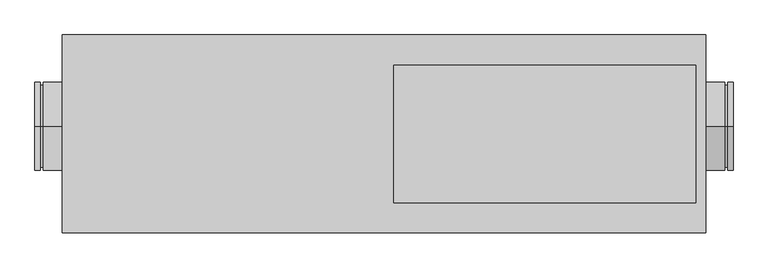
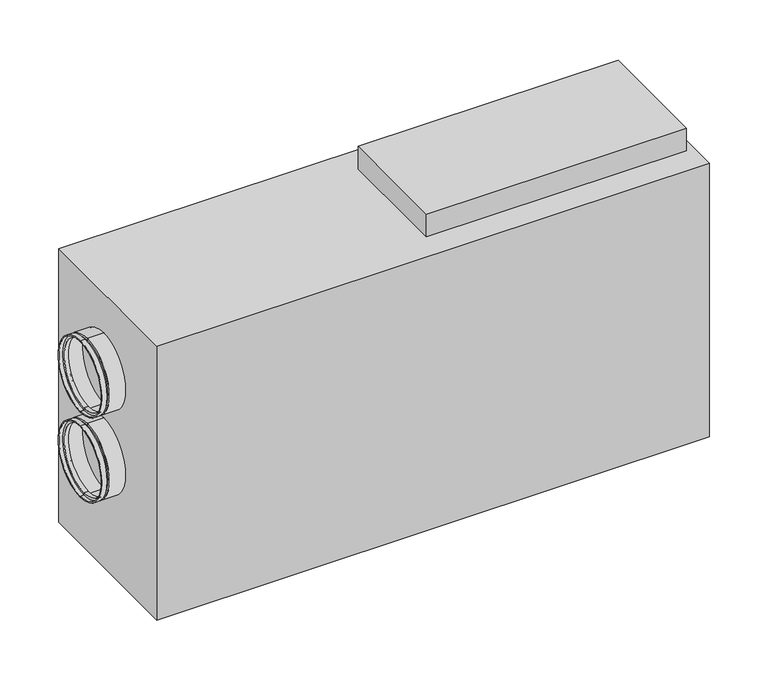
"""IFC4 building model written with IfcOpenShell, lengths in millimetres: proxy geometry."""

from ifc_helpers import new_model, si_unit, frame, origin, place, context, project, spatial, polyline, circle_curve, outline, extrude, source, transform, mapped, element, save
from ifc_brep_helpers import plane_surface, cylinder_surface, revolved_surface, advanced_brep


def mechanical_equipment_982aaba3(model_context):
    return source(origin(), model_context, "Body", "SolidModel", [
        extrude(outline(polyline([(567.5, 125.0), (567.5, -125.0), (17.5, -125.0), (17.5, 125.0), (567.5, 125.0)])), frame((0.0, 0.0, 644.0), z_axis=(0.0, 0.0, 1.0), x_axis=(1.0, 0.0, 0.0)), (0.0, 0.0, 1.0), 51.0),
        advanced_brep(
        [(625.0, 14.0, 206.0), (625.0, 14.0, 366.0), (635.0, 14.0, 366.0), (635.0, 14.0, 206.0), (625.0, 14.0, 211.0), (625.0, 14.0, 361.0), (620.0, 14.0, 211.0), (620.0, 14.0, 361.0), (620.0, 14.0, 206.0), (620.0, 14.0, 366.0), (585.0, 14.0, 206.0), (585.0, 14.0, 366.0), (585.0, 14.0, 208.0), (585.0, 14.0, 364.0), (618.0, 14.0, 208.0), (618.0, 14.0, 364.0), (618.0, 14.0, 213.0), (618.0, 14.0, 359.0), (627.0, 14.0, 213.0), (627.0, 14.0, 359.0), (627.0, 14.0, 208.0), (627.0, 14.0, 364.0), (635.0, 14.0, 208.0), (635.0, 14.0, 364.0)],
        [
            (0, 1, circle_curve(frame((625.0, 14.0, 286.0), z_axis=(1.0, 0.0, 0.0), x_axis=(0.0, 0.0, 1.0)), 80.0)),
            (1, 2),
            (2, 3, circle_curve(frame((635.0, 14.0, 286.0), z_axis=(-1.0, 0.0, 0.0), x_axis=(0.0, 0.0, 1.0)), 80.0)),
            (3, 0),
            (1, 0, circle_curve(frame((625.0, 14.0, 286.0), z_axis=(1.0, 0.0, 0.0), x_axis=(0.0, 0.0, 1.0)), 80.0)),
            (3, 2, circle_curve(frame((635.0, 14.0, 286.0), z_axis=(-1.0, 0.0, 0.0), x_axis=(0.0, 0.0, 1.0)), 80.0)),
            (4, 5, circle_curve(frame((625.0, 14.0, 286.0), z_axis=(1.0, 0.0, 0.0), x_axis=(0.0, 0.0, 1.0)), 75.0)),
            (5, 1),
            (0, 4),
            (5, 4, circle_curve(frame((625.0, 14.0, 286.0), z_axis=(1.0, 0.0, 0.0), x_axis=(0.0, 0.0, 1.0)), 75.0)),
            (6, 7, circle_curve(frame((620.0, 14.0, 286.0), z_axis=(1.0, 0.0, 0.0), x_axis=(0.0, 0.0, 1.0)), 75.0)),
            (7, 5),
            (4, 6),
            (7, 6, circle_curve(frame((620.0, 14.0, 286.0), z_axis=(1.0, 0.0, 0.0), x_axis=(0.0, 0.0, 1.0)), 75.0)),
            (8, 9, circle_curve(frame((620.0, 14.0, 286.0), z_axis=(1.0, 0.0, 0.0), x_axis=(0.0, 0.0, 1.0)), 80.0)),
            (9, 7),
            (6, 8),
            (9, 8, circle_curve(frame((620.0, 14.0, 286.0), z_axis=(1.0, 0.0, 0.0), x_axis=(0.0, 0.0, 1.0)), 80.0)),
            (10, 11, circle_curve(frame((585.0, 14.0, 286.0), z_axis=(1.0, 0.0, 0.0), x_axis=(0.0, 0.0, 1.0)), 80.0)),
            (11, 9),
            (8, 10),
            (11, 10, circle_curve(frame((585.0, 14.0, 286.0), z_axis=(1.0, 0.0, 0.0), x_axis=(0.0, 0.0, 1.0)), 80.0)),
            (12, 13, circle_curve(frame((585.0, 14.0, 286.0), z_axis=(1.0, 0.0, 0.0), x_axis=(0.0, 0.0, 1.0)), 78.0)),
            (13, 11),
            (10, 12),
            (13, 12, circle_curve(frame((585.0, 14.0, 286.0), z_axis=(1.0, 0.0, 0.0), x_axis=(0.0, 0.0, 1.0)), 78.0)),
            (14, 15, circle_curve(frame((618.0, 14.0, 286.0), z_axis=(1.0, 0.0, 0.0), x_axis=(0.0, 0.0, 1.0)), 78.0)),
            (15, 13),
            (12, 14),
            (15, 14, circle_curve(frame((618.0, 14.0, 286.0), z_axis=(1.0, 0.0, 0.0), x_axis=(0.0, 0.0, 1.0)), 78.0)),
            (16, 17, circle_curve(frame((618.0, 14.0, 286.0), z_axis=(1.0, 0.0, 0.0), x_axis=(0.0, 0.0, 1.0)), 73.0)),
            (17, 15),
            (14, 16),
            (17, 16, circle_curve(frame((618.0, 14.0, 286.0), z_axis=(1.0, 0.0, 0.0), x_axis=(0.0, 0.0, 1.0)), 73.0)),
            (18, 19, circle_curve(frame((627.0, 14.0, 286.0), z_axis=(1.0, 0.0, 0.0), x_axis=(0.0, 0.0, 1.0)), 73.0)),
            (19, 17),
            (16, 18),
            (19, 18, circle_curve(frame((627.0, 14.0, 286.0), z_axis=(1.0, 0.0, 0.0), x_axis=(0.0, 0.0, 1.0)), 73.0)),
            (20, 21, circle_curve(frame((627.0, 14.0, 286.0), z_axis=(1.0, 0.0, 0.0), x_axis=(0.0, 0.0, 1.0)), 78.0)),
            (21, 19),
            (18, 20),
            (21, 20, circle_curve(frame((627.0, 14.0, 286.0), z_axis=(1.0, 0.0, 0.0), x_axis=(0.0, 0.0, 1.0)), 78.0)),
            (22, 23, circle_curve(frame((635.0, 14.0, 286.0), z_axis=(1.0, 0.0, 0.0), x_axis=(0.0, 0.0, 1.0)), 78.0)),
            (23, 21),
            (20, 22),
            (23, 22, circle_curve(frame((635.0, 14.0, 286.0), z_axis=(1.0, 0.0, 0.0), x_axis=(0.0, 0.0, 1.0)), 78.0)),
            (2, 23),
            (22, 3),
        ],
        [
            cylinder_surface(frame((2170.0440172, 14.0, 286.0), z_axis=(-1.0, 0.0, 0.0), x_axis=(0.0, 0.0, 1.0)), 80.0),
            plane_surface(frame((625.0, 14.0, 286.0), z_axis=(-1.0, 0.0, 0.0), x_axis=(0.0, 0.0, 1.0))),
            cylinder_surface(frame((2170.0440172, 14.0, 286.0), z_axis=(-1.0, 0.0, 0.0), x_axis=(0.0, 0.0, 1.0)), 75.0),
            plane_surface(frame((620.0, 14.0, 286.0), z_axis=(1.0, 0.0, 0.0), x_axis=(0.0, 0.0, 1.0))),
            plane_surface(frame((585.0, 14.0, 286.0), z_axis=(-1.0, 0.0, 0.0), x_axis=(0.0, 0.0, 1.0))),
            revolved_surface(polyline([(585.0, 14.0, 364.0), (618.0, 14.0, 364.0)]), (2170.0440172, 14.0, 286.0), (-1.0, 0.0, 0.0)),
            plane_surface(frame((618.0, 14.0, 286.0), z_axis=(-1.0, 0.0, 0.0), x_axis=(0.0, 0.0, 1.0))),
            revolved_surface(polyline([(618.0, 14.0, 359.0), (627.0, 14.0, 359.0)]), (2170.0440172, 14.0, 286.0), (-1.0, 0.0, 0.0)),
            plane_surface(frame((627.0, 14.0, 286.0), z_axis=(1.0, 0.0, 0.0), x_axis=(0.0, 0.0, 1.0))),
            revolved_surface(polyline([(627.0, 14.0, 364.0), (635.0, 14.0, 364.0)]), (2170.0440172, 14.0, 286.0), (-1.0, 0.0, 0.0)),
            plane_surface(frame((635.0, 14.0, 286.0), z_axis=(1.0, 0.0, 0.0), x_axis=(0.0, 0.0, 1.0))),
        ],
        [
            (0, [[1, 2, 3, 4]]),
            (0, [[5, -4, 6, -2]]),
            (1, [[7, 8, -1, 9]]),
            (1, [[10, -9, -5, -8]]),
            (2, [[11, 12, -7, 13]]),
            (2, [[14, -13, -10, -12]]),
            (3, [[15, 16, -11, 17]]),
            (3, [[18, -17, -14, -16]]),
            (0, [[19, 20, -15, 21]]),
            (0, [[22, -21, -18, -20]]),
            (4, [[23, 24, -19, 25]]),
            (4, [[26, -25, -22, -24]]),
            (5, [[27, 28, -23, 29]]),
            (5, [[30, -29, -26, -28]]),
            (6, [[31, 32, -27, 33]]),
            (6, [[34, -33, -30, -32]]),
            (7, [[35, 36, -31, 37]]),
            (7, [[38, -37, -34, -36]]),
            (8, [[39, 40, -35, 41]]),
            (8, [[42, -41, -38, -40]]),
            (9, [[43, 44, -39, 45]]),
            (9, [[46, -45, -42, -44]]),
            (10, [[-3, 47, -43, 48]]),
            (10, [[-6, -48, -46, -47]]),
        ],
    ),
        advanced_brep(
        [(625.0, 14.0, 396.0), (625.0, 14.0, 556.0), (635.0, 14.0, 556.0), (635.0, 14.0, 396.0), (625.0, 14.0, 401.0), (625.0, 14.0, 551.0), (620.0, 14.0, 401.0), (620.0, 14.0, 551.0), (620.0, 14.0, 396.0), (620.0, 14.0, 556.0), (585.0, 14.0, 396.0), (585.0, 14.0, 556.0), (585.0, 14.0, 398.0), (585.0, 14.0, 554.0), (618.0, 14.0, 398.0), (618.0, 14.0, 554.0), (618.0, 14.0, 403.0), (618.0, 14.0, 549.0), (627.0, 14.0, 403.0), (627.0, 14.0, 549.0), (627.0, 14.0, 398.0), (627.0, 14.0, 554.0), (635.0, 14.0, 398.0), (635.0, 14.0, 554.0)],
        [
            (0, 1, circle_curve(frame((625.0, 14.0, 476.0), z_axis=(1.0, 0.0, 0.0), x_axis=(0.0, 0.0, 1.0)), 80.0)),
            (1, 2),
            (2, 3, circle_curve(frame((635.0, 14.0, 476.0), z_axis=(-1.0, 0.0, 0.0), x_axis=(0.0, 0.0, 1.0)), 80.0)),
            (3, 0),
            (1, 0, circle_curve(frame((625.0, 14.0, 476.0), z_axis=(1.0, 0.0, 0.0), x_axis=(0.0, 0.0, 1.0)), 80.0)),
            (3, 2, circle_curve(frame((635.0, 14.0, 476.0), z_axis=(-1.0, 0.0, 0.0), x_axis=(0.0, 0.0, 1.0)), 80.0)),
            (4, 5, circle_curve(frame((625.0, 14.0, 476.0), z_axis=(1.0, 0.0, 0.0), x_axis=(0.0, 0.0, 1.0)), 75.0)),
            (5, 1),
            (0, 4),
            (5, 4, circle_curve(frame((625.0, 14.0, 476.0), z_axis=(1.0, 0.0, 0.0), x_axis=(0.0, 0.0, 1.0)), 75.0)),
            (6, 7, circle_curve(frame((620.0, 14.0, 476.0), z_axis=(1.0, 0.0, 0.0), x_axis=(0.0, 0.0, 1.0)), 75.0)),
            (7, 5),
            (4, 6),
            (7, 6, circle_curve(frame((620.0, 14.0, 476.0), z_axis=(1.0, 0.0, 0.0), x_axis=(0.0, 0.0, 1.0)), 75.0)),
            (8, 9, circle_curve(frame((620.0, 14.0, 476.0), z_axis=(1.0, 0.0, 0.0), x_axis=(0.0, 0.0, 1.0)), 80.0)),
            (9, 7),
            (6, 8),
            (9, 8, circle_curve(frame((620.0, 14.0, 476.0), z_axis=(1.0, 0.0, 0.0), x_axis=(0.0, 0.0, 1.0)), 80.0)),
            (10, 11, circle_curve(frame((585.0, 14.0, 476.0), z_axis=(1.0, 0.0, 0.0), x_axis=(0.0, 0.0, 1.0)), 80.0)),
            (11, 9),
            (8, 10),
            (11, 10, circle_curve(frame((585.0, 14.0, 476.0), z_axis=(1.0, 0.0, 0.0), x_axis=(0.0, 0.0, 1.0)), 80.0)),
            (12, 13, circle_curve(frame((585.0, 14.0, 476.0), z_axis=(1.0, 0.0, 0.0), x_axis=(0.0, 0.0, 1.0)), 78.0)),
            (13, 11),
            (10, 12),
            (13, 12, circle_curve(frame((585.0, 14.0, 476.0), z_axis=(1.0, 0.0, 0.0), x_axis=(0.0, 0.0, 1.0)), 78.0)),
            (14, 15, circle_curve(frame((618.0, 14.0, 476.0), z_axis=(1.0, 0.0, 0.0), x_axis=(0.0, 0.0, 1.0)), 78.0)),
            (15, 13),
            (12, 14),
            (15, 14, circle_curve(frame((618.0, 14.0, 476.0), z_axis=(1.0, 0.0, 0.0), x_axis=(0.0, 0.0, 1.0)), 78.0)),
            (16, 17, circle_curve(frame((618.0, 14.0, 476.0), z_axis=(1.0, 0.0, 0.0), x_axis=(0.0, 0.0, 1.0)), 73.0)),
            (17, 15),
            (14, 16),
            (17, 16, circle_curve(frame((618.0, 14.0, 476.0), z_axis=(1.0, 0.0, 0.0), x_axis=(0.0, 0.0, 1.0)), 73.0)),
            (18, 19, circle_curve(frame((627.0, 14.0, 476.0), z_axis=(1.0, 0.0, 0.0), x_axis=(0.0, 0.0, 1.0)), 73.0)),
            (19, 17),
            (16, 18),
            (19, 18, circle_curve(frame((627.0, 14.0, 476.0), z_axis=(1.0, 0.0, 0.0), x_axis=(0.0, 0.0, 1.0)), 73.0)),
            (20, 21, circle_curve(frame((627.0, 14.0, 476.0), z_axis=(1.0, 0.0, 0.0), x_axis=(0.0, 0.0, 1.0)), 78.0)),
            (21, 19),
            (18, 20),
            (21, 20, circle_curve(frame((627.0, 14.0, 476.0), z_axis=(1.0, 0.0, 0.0), x_axis=(0.0, 0.0, 1.0)), 78.0)),
            (22, 23, circle_curve(frame((635.0, 14.0, 476.0), z_axis=(1.0, 0.0, 0.0), x_axis=(0.0, 0.0, 1.0)), 78.0)),
            (23, 21),
            (20, 22),
            (23, 22, circle_curve(frame((635.0, 14.0, 476.0), z_axis=(1.0, 0.0, 0.0), x_axis=(0.0, 0.0, 1.0)), 78.0)),
            (2, 23),
            (22, 3),
        ],
        [
            cylinder_surface(frame((2170.0440172, 14.0, 476.0), z_axis=(-1.0, 0.0, 0.0), x_axis=(0.0, 0.0, 1.0)), 80.0),
            plane_surface(frame((625.0, 14.0, 476.0), z_axis=(-1.0, 0.0, 0.0), x_axis=(0.0, 0.0, 1.0))),
            cylinder_surface(frame((2170.0440172, 14.0, 476.0), z_axis=(-1.0, 0.0, 0.0), x_axis=(0.0, 0.0, 1.0)), 75.0),
            plane_surface(frame((620.0, 14.0, 476.0), z_axis=(1.0, 0.0, 0.0), x_axis=(0.0, 0.0, 1.0))),
            plane_surface(frame((585.0, 14.0, 476.0), z_axis=(-1.0, 0.0, 0.0), x_axis=(0.0, 0.0, 1.0))),
            revolved_surface(polyline([(585.0, 14.0, 554.0), (618.0, 14.0, 554.0)]), (2170.0440172, 14.0, 476.0), (-1.0, 0.0, 0.0)),
            plane_surface(frame((618.0, 14.0, 476.0), z_axis=(-1.0, 0.0, 0.0), x_axis=(0.0, 0.0, 1.0))),
            revolved_surface(polyline([(618.0, 14.0, 549.0), (627.0, 14.0, 549.0)]), (2170.0440172, 14.0, 476.0), (-1.0, 0.0, 0.0)),
            plane_surface(frame((627.0, 14.0, 476.0), z_axis=(1.0, 0.0, 0.0), x_axis=(0.0, 0.0, 1.0))),
            revolved_surface(polyline([(627.0, 14.0, 554.0), (635.0, 14.0, 554.0)]), (2170.0440172, 14.0, 476.0), (-1.0, 0.0, 0.0)),
            plane_surface(frame((635.0, 14.0, 476.0), z_axis=(1.0, 0.0, 0.0), x_axis=(0.0, 0.0, 1.0))),
        ],
        [
            (0, [[1, 2, 3, 4]]),
            (0, [[5, -4, 6, -2]]),
            (1, [[7, 8, -1, 9]]),
            (1, [[10, -9, -5, -8]]),
            (2, [[11, 12, -7, 13]]),
            (2, [[14, -13, -10, -12]]),
            (3, [[15, 16, -11, 17]]),
            (3, [[18, -17, -14, -16]]),
            (0, [[19, 20, -15, 21]]),
            (0, [[22, -21, -18, -20]]),
            (4, [[23, 24, -19, 25]]),
            (4, [[26, -25, -22, -24]]),
            (5, [[27, 28, -23, 29]]),
            (5, [[30, -29, -26, -28]]),
            (6, [[31, 32, -27, 33]]),
            (6, [[34, -33, -30, -32]]),
            (7, [[35, 36, -31, 37]]),
            (7, [[38, -37, -34, -36]]),
            (8, [[39, 40, -35, 41]]),
            (8, [[42, -41, -38, -40]]),
            (9, [[43, 44, -39, 45]]),
            (9, [[46, -45, -42, -44]]),
            (10, [[-3, 47, -43, 48]]),
            (10, [[-6, -48, -46, -47]]),
        ],
    ),
        advanced_brep(
        [(-625.0, 14.0, 556.0), (-625.0, 14.0, 396.0), (-635.0, 14.0, 396.0), (-635.0, 14.0, 556.0), (-625.0, 14.0, 551.0), (-625.0, 14.0, 401.0), (-620.0, 14.0, 551.0), (-620.0, 14.0, 401.0), (-620.0, 14.0, 556.0), (-620.0, 14.0, 396.0), (-585.0, 14.0, 556.0), (-585.0, 14.0, 396.0), (-585.0, 14.0, 554.0), (-585.0, 14.0, 398.0), (-618.0, 14.0, 554.0), (-618.0, 14.0, 398.0), (-618.0, 14.0, 549.0), (-618.0, 14.0, 403.0), (-627.0, 14.0, 549.0), (-627.0, 14.0, 403.0), (-627.0, 14.0, 554.0), (-627.0, 14.0, 398.0), (-635.0, 14.0, 554.0), (-635.0, 14.0, 398.0)],
        [
            (0, 1, circle_curve(frame((-625.0, 14.0, 476.0), z_axis=(-1.0, 0.0, 0.0), x_axis=(0.0, 0.0, -1.0)), 80.0)),
            (1, 2),
            (2, 3, circle_curve(frame((-635.0, 14.0, 476.0), z_axis=(1.0, 0.0, 0.0), x_axis=(0.0, 0.0, -1.0)), 80.0)),
            (3, 0),
            (1, 0, circle_curve(frame((-625.0, 14.0, 476.0), z_axis=(-1.0, 0.0, 0.0), x_axis=(0.0, 0.0, -1.0)), 80.0)),
            (3, 2, circle_curve(frame((-635.0, 14.0, 476.0), z_axis=(1.0, 0.0, 0.0), x_axis=(0.0, 0.0, -1.0)), 80.0)),
            (4, 5, circle_curve(frame((-625.0, 14.0, 476.0), z_axis=(-1.0, 0.0, 0.0), x_axis=(0.0, 0.0, -1.0)), 75.0)),
            (5, 1),
            (0, 4),
            (5, 4, circle_curve(frame((-625.0, 14.0, 476.0), z_axis=(-1.0, 0.0, 0.0), x_axis=(0.0, 0.0, -1.0)), 75.0)),
            (6, 7, circle_curve(frame((-620.0, 14.0, 476.0), z_axis=(-1.0, 0.0, 0.0), x_axis=(0.0, 0.0, -1.0)), 75.0)),
            (7, 5),
            (4, 6),
            (7, 6, circle_curve(frame((-620.0, 14.0, 476.0), z_axis=(-1.0, 0.0, 0.0), x_axis=(0.0, 0.0, -1.0)), 75.0)),
            (8, 9, circle_curve(frame((-620.0, 14.0, 476.0), z_axis=(-1.0, 0.0, 0.0), x_axis=(0.0, 0.0, -1.0)), 80.0)),
            (9, 7),
            (6, 8),
            (9, 8, circle_curve(frame((-620.0, 14.0, 476.0), z_axis=(-1.0, 0.0, 0.0), x_axis=(0.0, 0.0, -1.0)), 80.0)),
            (10, 11, circle_curve(frame((-585.0, 14.0, 476.0), z_axis=(-1.0, 0.0, 0.0), x_axis=(0.0, 0.0, -1.0)), 80.0)),
            (11, 9),
            (8, 10),
            (11, 10, circle_curve(frame((-585.0, 14.0, 476.0), z_axis=(-1.0, 0.0, 0.0), x_axis=(0.0, 0.0, -1.0)), 80.0)),
            (12, 13, circle_curve(frame((-585.0, 14.0, 476.0), z_axis=(-1.0, 0.0, 0.0), x_axis=(0.0, 0.0, -1.0)), 78.0)),
            (13, 11),
            (10, 12),
            (13, 12, circle_curve(frame((-585.0, 14.0, 476.0), z_axis=(-1.0, 0.0, 0.0), x_axis=(0.0, 0.0, -1.0)), 78.0)),
            (14, 15, circle_curve(frame((-618.0, 14.0, 476.0), z_axis=(-1.0, 0.0, 0.0), x_axis=(0.0, 0.0, -1.0)), 78.0)),
            (15, 13),
            (12, 14),
            (15, 14, circle_curve(frame((-618.0, 14.0, 476.0), z_axis=(-1.0, 0.0, 0.0), x_axis=(0.0, 0.0, -1.0)), 78.0)),
            (16, 17, circle_curve(frame((-618.0, 14.0, 476.0), z_axis=(-1.0, 0.0, 0.0), x_axis=(0.0, 0.0, -1.0)), 73.0)),
            (17, 15),
            (14, 16),
            (17, 16, circle_curve(frame((-618.0, 14.0, 476.0), z_axis=(-1.0, 0.0, 0.0), x_axis=(0.0, 0.0, -1.0)), 73.0)),
            (18, 19, circle_curve(frame((-627.0, 14.0, 476.0), z_axis=(-1.0, 0.0, 0.0), x_axis=(0.0, 0.0, -1.0)), 73.0)),
            (19, 17),
            (16, 18),
            (19, 18, circle_curve(frame((-627.0, 14.0, 476.0), z_axis=(-1.0, 0.0, 0.0), x_axis=(0.0, 0.0, -1.0)), 73.0)),
            (20, 21, circle_curve(frame((-627.0, 14.0, 476.0), z_axis=(-1.0, 0.0, 0.0), x_axis=(0.0, 0.0, -1.0)), 78.0)),
            (21, 19),
            (18, 20),
            (21, 20, circle_curve(frame((-627.0, 14.0, 476.0), z_axis=(-1.0, 0.0, 0.0), x_axis=(0.0, 0.0, -1.0)), 78.0)),
            (22, 23, circle_curve(frame((-635.0, 14.0, 476.0), z_axis=(-1.0, 0.0, 0.0), x_axis=(0.0, 0.0, -1.0)), 78.0)),
            (23, 21),
            (20, 22),
            (23, 22, circle_curve(frame((-635.0, 14.0, 476.0), z_axis=(-1.0, 0.0, 0.0), x_axis=(0.0, 0.0, -1.0)), 78.0)),
            (2, 23),
            (22, 3),
        ],
        [
            cylinder_surface(frame((-2170.0440172, 14.0, 476.0), z_axis=(1.0, 0.0, 0.0), x_axis=(0.0, 0.0, -1.0)), 80.0),
            plane_surface(frame((-625.0, 14.0, 476.0), z_axis=(1.0, 0.0, 0.0), x_axis=(0.0, 0.0, -1.0))),
            cylinder_surface(frame((-2170.0440172, 14.0, 476.0), z_axis=(1.0, 0.0, 0.0), x_axis=(0.0, 0.0, -1.0)), 75.0),
            plane_surface(frame((-620.0, 14.0, 476.0), z_axis=(-1.0, 0.0, 0.0), x_axis=(0.0, 0.0, -1.0))),
            plane_surface(frame((-585.0, 14.0, 476.0), z_axis=(1.0, 0.0, 0.0), x_axis=(0.0, 0.0, -1.0))),
            revolved_surface(polyline([(-585.0, 14.0, 398.0), (-618.0, 14.0, 398.0)]), (-2170.0440172, 14.0, 476.0), (1.0, 0.0, 0.0)),
            plane_surface(frame((-618.0, 14.0, 476.0), z_axis=(1.0, 0.0, 0.0), x_axis=(0.0, 0.0, -1.0))),
            revolved_surface(polyline([(-618.0, 14.0, 403.0), (-627.0, 14.0, 403.0)]), (-2170.0440172, 14.0, 476.0), (1.0, 0.0, 0.0)),
            plane_surface(frame((-627.0, 14.0, 476.0), z_axis=(-1.0, 0.0, 0.0), x_axis=(0.0, 0.0, -1.0))),
            revolved_surface(polyline([(-627.0, 14.0, 398.0), (-635.0, 14.0, 398.0)]), (-2170.0440172, 14.0, 476.0), (1.0, 0.0, 0.0)),
            plane_surface(frame((-635.0, 14.0, 476.0), z_axis=(-1.0, 0.0, 0.0), x_axis=(0.0, 0.0, -1.0))),
        ],
        [
            (0, [[1, 2, 3, 4]]),
            (0, [[5, -4, 6, -2]]),
            (1, [[7, 8, -1, 9]]),
            (1, [[10, -9, -5, -8]]),
            (2, [[11, 12, -7, 13]]),
            (2, [[14, -13, -10, -12]]),
            (3, [[15, 16, -11, 17]]),
            (3, [[18, -17, -14, -16]]),
            (0, [[19, 20, -15, 21]]),
            (0, [[22, -21, -18, -20]]),
            (4, [[23, 24, -19, 25]]),
            (4, [[26, -25, -22, -24]]),
            (5, [[27, 28, -23, 29]]),
            (5, [[30, -29, -26, -28]]),
            (6, [[31, 32, -27, 33]]),
            (6, [[34, -33, -30, -32]]),
            (7, [[35, 36, -31, 37]]),
            (7, [[38, -37, -34, -36]]),
            (8, [[39, 40, -35, 41]]),
            (8, [[42, -41, -38, -40]]),
            (9, [[43, 44, -39, 45]]),
            (9, [[46, -45, -42, -44]]),
            (10, [[-3, 47, -43, 48]]),
            (10, [[-6, -48, -46, -47]]),
        ],
    ),
        advanced_brep(
        [(-625.0, 14.0, 366.0), (-625.0, 14.0, 206.0), (-635.0, 14.0, 206.0), (-635.0, 14.0, 366.0), (-625.0, 14.0, 361.0), (-625.0, 14.0, 211.0), (-620.0, 14.0, 361.0), (-620.0, 14.0, 211.0), (-620.0, 14.0, 366.0), (-620.0, 14.0, 206.0), (-585.0, 14.0, 366.0), (-585.0, 14.0, 206.0), (-585.0, 14.0, 364.0), (-585.0, 14.0, 208.0), (-618.0, 14.0, 364.0), (-618.0, 14.0, 208.0), (-618.0, 14.0, 359.0), (-618.0, 14.0, 213.0), (-627.0, 14.0, 359.0), (-627.0, 14.0, 213.0), (-627.0, 14.0, 364.0), (-627.0, 14.0, 208.0), (-635.0, 14.0, 364.0), (-635.0, 14.0, 208.0)],
        [
            (0, 1, circle_curve(frame((-625.0, 14.0, 286.0), z_axis=(-1.0, 0.0, 0.0), x_axis=(0.0, 0.0, -1.0)), 80.0)),
            (1, 2),
            (2, 3, circle_curve(frame((-635.0, 14.0, 286.0), z_axis=(1.0, 0.0, 0.0), x_axis=(0.0, 0.0, -1.0)), 80.0)),
            (3, 0),
            (1, 0, circle_curve(frame((-625.0, 14.0, 286.0), z_axis=(-1.0, 0.0, 0.0), x_axis=(0.0, 0.0, -1.0)), 80.0)),
            (3, 2, circle_curve(frame((-635.0, 14.0, 286.0), z_axis=(1.0, 0.0, 0.0), x_axis=(0.0, 0.0, -1.0)), 80.0)),
            (4, 5, circle_curve(frame((-625.0, 14.0, 286.0), z_axis=(-1.0, 0.0, 0.0), x_axis=(0.0, 0.0, -1.0)), 75.0)),
            (5, 1),
            (0, 4),
            (5, 4, circle_curve(frame((-625.0, 14.0, 286.0), z_axis=(-1.0, 0.0, 0.0), x_axis=(0.0, 0.0, -1.0)), 75.0)),
            (6, 7, circle_curve(frame((-620.0, 14.0, 286.0), z_axis=(-1.0, 0.0, 0.0), x_axis=(0.0, 0.0, -1.0)), 75.0)),
            (7, 5),
            (4, 6),
            (7, 6, circle_curve(frame((-620.0, 14.0, 286.0), z_axis=(-1.0, 0.0, 0.0), x_axis=(0.0, 0.0, -1.0)), 75.0)),
            (8, 9, circle_curve(frame((-620.0, 14.0, 286.0), z_axis=(-1.0, 0.0, 0.0), x_axis=(0.0, 0.0, -1.0)), 80.0)),
            (9, 7),
            (6, 8),
            (9, 8, circle_curve(frame((-620.0, 14.0, 286.0), z_axis=(-1.0, 0.0, 0.0), x_axis=(0.0, 0.0, -1.0)), 80.0)),
            (10, 11, circle_curve(frame((-585.0, 14.0, 286.0), z_axis=(-1.0, 0.0, 0.0), x_axis=(0.0, 0.0, -1.0)), 80.0)),
            (11, 9),
            (8, 10),
            (11, 10, circle_curve(frame((-585.0, 14.0, 286.0), z_axis=(-1.0, 0.0, 0.0), x_axis=(0.0, 0.0, -1.0)), 80.0)),
            (12, 13, circle_curve(frame((-585.0, 14.0, 286.0), z_axis=(-1.0, 0.0, 0.0), x_axis=(0.0, 0.0, -1.0)), 78.0)),
            (13, 11),
            (10, 12),
            (13, 12, circle_curve(frame((-585.0, 14.0, 286.0), z_axis=(-1.0, 0.0, 0.0), x_axis=(0.0, 0.0, -1.0)), 78.0)),
            (14, 15, circle_curve(frame((-618.0, 14.0, 286.0), z_axis=(-1.0, 0.0, 0.0), x_axis=(0.0, 0.0, -1.0)), 78.0)),
            (15, 13),
            (12, 14),
            (15, 14, circle_curve(frame((-618.0, 14.0, 286.0), z_axis=(-1.0, 0.0, 0.0), x_axis=(0.0, 0.0, -1.0)), 78.0)),
            (16, 17, circle_curve(frame((-618.0, 14.0, 286.0), z_axis=(-1.0, 0.0, 0.0), x_axis=(0.0, 0.0, -1.0)), 73.0)),
            (17, 15),
            (14, 16),
            (17, 16, circle_curve(frame((-618.0, 14.0, 286.0), z_axis=(-1.0, 0.0, 0.0), x_axis=(0.0, 0.0, -1.0)), 73.0)),
            (18, 19, circle_curve(frame((-627.0, 14.0, 286.0), z_axis=(-1.0, 0.0, 0.0), x_axis=(0.0, 0.0, -1.0)), 73.0)),
            (19, 17),
            (16, 18),
            (19, 18, circle_curve(frame((-627.0, 14.0, 286.0), z_axis=(-1.0, 0.0, 0.0), x_axis=(0.0, 0.0, -1.0)), 73.0)),
            (20, 21, circle_curve(frame((-627.0, 14.0, 286.0), z_axis=(-1.0, 0.0, 0.0), x_axis=(0.0, 0.0, -1.0)), 78.0)),
            (21, 19),
            (18, 20),
            (21, 20, circle_curve(frame((-627.0, 14.0, 286.0), z_axis=(-1.0, 0.0, 0.0), x_axis=(0.0, 0.0, -1.0)), 78.0)),
            (22, 23, circle_curve(frame((-635.0, 14.0, 286.0), z_axis=(-1.0, 0.0, 0.0), x_axis=(0.0, 0.0, -1.0)), 78.0)),
            (23, 21),
            (20, 22),
            (23, 22, circle_curve(frame((-635.0, 14.0, 286.0), z_axis=(-1.0, 0.0, 0.0), x_axis=(0.0, 0.0, -1.0)), 78.0)),
            (2, 23),
            (22, 3),
        ],
        [
            cylinder_surface(frame((-2170.0440172, 14.0, 286.0), z_axis=(1.0, 0.0, 0.0), x_axis=(0.0, 0.0, -1.0)), 80.0),
            plane_surface(frame((-625.0, 14.0, 286.0), z_axis=(1.0, 0.0, 0.0), x_axis=(0.0, 0.0, -1.0))),
            cylinder_surface(frame((-2170.0440172, 14.0, 286.0), z_axis=(1.0, 0.0, 0.0), x_axis=(0.0, 0.0, -1.0)), 75.0),
            plane_surface(frame((-620.0, 14.0, 286.0), z_axis=(-1.0, 0.0, 0.0), x_axis=(0.0, 0.0, -1.0))),
            plane_surface(frame((-585.0, 14.0, 286.0), z_axis=(1.0, 0.0, 0.0), x_axis=(0.0, 0.0, -1.0))),
            revolved_surface(polyline([(-585.0, 14.0, 208.0), (-618.0, 14.0, 208.0)]), (-2170.0440172, 14.0, 286.0), (1.0, 0.0, 0.0)),
            plane_surface(frame((-618.0, 14.0, 286.0), z_axis=(1.0, 0.0, 0.0), x_axis=(0.0, 0.0, -1.0))),
            revolved_surface(polyline([(-618.0, 14.0, 213.0), (-627.0, 14.0, 213.0)]), (-2170.0440172, 14.0, 286.0), (1.0, 0.0, 0.0)),
            plane_surface(frame((-627.0, 14.0, 286.0), z_axis=(-1.0, 0.0, 0.0), x_axis=(0.0, 0.0, -1.0))),
            revolved_surface(polyline([(-627.0, 14.0, 208.0), (-635.0, 14.0, 208.0)]), (-2170.0440172, 14.0, 286.0), (1.0, 0.0, 0.0)),
            plane_surface(frame((-635.0, 14.0, 286.0), z_axis=(-1.0, 0.0, 0.0), x_axis=(0.0, 0.0, -1.0))),
        ],
        [
            (0, [[1, 2, 3, 4]]),
            (0, [[5, -4, 6, -2]]),
            (1, [[7, 8, -1, 9]]),
            (1, [[10, -9, -5, -8]]),
            (2, [[11, 12, -7, 13]]),
            (2, [[14, -13, -10, -12]]),
            (3, [[15, 16, -11, 17]]),
            (3, [[18, -17, -14, -16]]),
            (0, [[19, 20, -15, 21]]),
            (0, [[22, -21, -18, -20]]),
            (4, [[23, 24, -19, 25]]),
            (4, [[26, -25, -22, -24]]),
            (5, [[27, 28, -23, 29]]),
            (5, [[30, -29, -26, -28]]),
            (6, [[31, 32, -27, 33]]),
            (6, [[34, -33, -30, -32]]),
            (7, [[35, 36, -31, 37]]),
            (7, [[38, -37, -34, -36]]),
            (8, [[39, 40, -35, 41]]),
            (8, [[42, -41, -38, -40]]),
            (9, [[43, 44, -39, 45]]),
            (9, [[46, -45, -42, -44]]),
            (10, [[-3, 47, -43, 48]]),
            (10, [[-6, -48, -46, -47]]),
        ],
    ),
        extrude(outline(polyline([(0.0, 415.0), (31.0, 462.113356), (31.0, 456.8560448), (5.0, 411.3672874), (5.0, 385.0), (5.0, 358.6327126), (31.0, 313.1439552), (31.0, 307.886644), (0.0, 355.0), (0.0, 385.0), (0.0, 415.0)])), frame((0.0, -130.0, 0.0), z_axis=(0.0, 1.0, 0.0), x_axis=(0.0, 0.0, 1.0)), (0.0, 0.0, 1.0), 260.0),
        extrude(outline(polyline([(0.0, -355.0), (31.0, -307.886644), (31.0, -313.1439552), (5.0, -358.6327126), (5.0, -385.0), (5.0, -411.3672874), (31.0, -456.8560448), (31.0, -462.113356), (0.0, -415.0), (0.0, -385.0), (0.0, -355.0)])), frame((0.0, -130.0, 0.0), z_axis=(0.0, 1.0, 0.0), x_axis=(0.0, 0.0, 1.0)), (0.0, 0.0, 1.0), 260.0),
        extrude(outline(polyline([(-585.0, 180.0), (585.0, 180.0), (585.0, -180.0), (-585.0, -180.0), (-585.0, 180.0)])), frame((0.0, 0.0, 31.0), z_axis=(0.0, 0.0, 1.0), x_axis=(1.0, 0.0, 0.0)), (0.0, 0.0, 1.0), 613.0),
    ])


if __name__ == "__main__":
    model = new_model("IFC4")
    model_context = context("Model", 3, world=origin())
    ifc_project = project(units=[si_unit("LENGTHUNIT", "METRE", prefix="MILLI")], contexts=[model_context])
    site = spatial("IfcSite", under=ifc_project)
    building = spatial("IfcBuilding", under=site)
    placement = place(None, origin())
    mechanical_equipment_shape = mechanical_equipment_982aaba3(model_context)
    element("IfcBuildingElementProxy", 1, Name="Mechanical Equipment", at=placement, inside=building, context=model_context, shape_type="MappedRepresentation", body=[
        mapped(mechanical_equipment_shape, transform((0.0, 0.0, 0.0), x_axis=(1.0, 0.0, 0.0), y_axis=(0.0, 1.0, 0.0), z_axis=(0.0, 0.0, 1.0))),
    ])
    save(model, "model.ifc")
